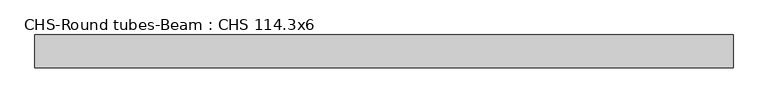
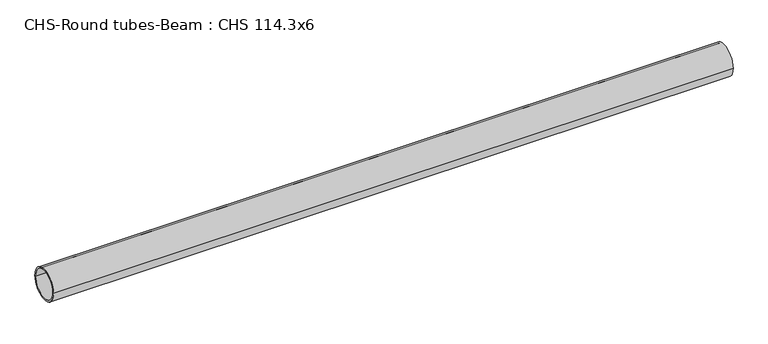
"""IFC4 building model written with IfcOpenShell, lengths in millimetres: beam geometry, CHS-Round tubes-Beam : CHS 114.3x6."""

import ifcopenshell
import ifcopenshell.guid

model = None  # the IFC model being written
_history = None  # IfcOwnerHistory: only IFC2X3 demands one
_inside = {}  # id of a spatial element -> (the spatial element, [elements in it])
_under = {}  # id of a project, library or spatial element -> (it, [spatial elements below it])
_declared = {}  # id of a project -> (the project, [libraries it declares])
_typed = {}  # id of a type object -> (the type object, [elements of that type])
_made_of = {}  # id of a material, layer set ... -> (it, [elements and type objects made of it])


def new_model(schema):
    """Start an empty IFC model of exactly this schema.

    Asked for "IFC4X3", IfcOpenShell would pick the latest addendum, in which some entities
    have other attributes; the version numbers below select the first issue.
    IFC2X3 requires an IfcOwnerHistory on every rooted entity: one is made here for all.
    """
    global model, _history
    if schema == "IFC4X3":
        model = ifcopenshell.file(schema_version=(4, 3, 0, 0))
    else:
        model = ifcopenshell.file(schema=schema)
    _inside.clear()
    _under.clear()
    _declared.clear()
    _typed.clear()
    _made_of.clear()
    _history = None
    if model.schema == "IFC2X3":
        org = make("IfcOrganization", Name="unknown")
        user = make(
            "IfcPersonAndOrganization",
            ThePerson=make("IfcPerson", FamilyName="unknown"),
            TheOrganization=org,
        )
        app = make(
            "IfcApplication",
            ApplicationDeveloper=org,
            Version="unknown",
            ApplicationFullName="unknown",
            ApplicationIdentifier="unknown",
        )
        _history = make(
            "IfcOwnerHistory",
            OwningUser=user,
            OwningApplication=app,
            ChangeAction="ADDED",
            CreationDate=0,
        )
    return model


def make(cls, **values):
    """One entity of the class cls with the attributes given. An attribute that is None is left unset."""
    return model.create_entity(
        cls, **{name: value for name, value in values.items() if value is not None}
    )


def rooted(cls, **values):
    """An entity with a GlobalId (a new one), such as an element, a storey or a relation."""
    return make(cls, GlobalId=ifcopenshell.guid.new(), OwnerHistory=_history, **values)


def si_unit(unit_type, name, prefix=None):
    """IfcSIUnit, for example si_unit("LENGTHUNIT", "METRE", prefix="MILLI")."""
    return make("IfcSIUnit", UnitType=unit_type, Prefix=prefix, Name=name)


def assignment(units):
    """IfcUnitAssignment: the units of a project."""
    return None if units is None else make("IfcUnitAssignment", Units=units)


def point(xyz):
    """IfcCartesianPoint."""
    return None if xyz is None else make("IfcCartesianPoint", Coordinates=xyz)


def direction(xyz):
    """IfcDirection."""
    return None if xyz is None else make("IfcDirection", DirectionRatios=xyz)


def frame(location, z_axis=None, x_axis=None):
    """IfcAxis2Placement3D, a coordinate frame: its origin and axes. An axis left out is left unset."""
    return make(
        "IfcAxis2Placement3D",
        Location=point(location),
        Axis=direction(z_axis),
        RefDirection=direction(x_axis),
    )


def frame_2d(location, x_axis=None):
    """IfcAxis2Placement2D, a coordinate frame in the plane: its origin and x axis."""
    return make(
        "IfcAxis2Placement2D", Location=point(location), RefDirection=direction(x_axis)
    )


def origin():
    """The frame at (0, 0, 0) with its axes left unset."""
    return frame((0.0, 0.0, 0.0))


def origin_2d():
    """The frame at (0, 0) in the plane with its x axis left unset."""
    return frame_2d((0.0, 0.0))


def place(relative_to, where):
    """IfcLocalPlacement: puts the frame where relative to a parent placement (None: the world)."""
    return make(
        "IfcLocalPlacement", PlacementRelTo=relative_to, RelativePlacement=where
    )


def context(
    kind, dimensions, precision=None, world=None, true_north=None, identifier=None
):
    """IfcGeometricRepresentationContext, for example the 3D "Model" context."""
    return make(
        "IfcGeometricRepresentationContext",
        ContextIdentifier=identifier,
        ContextType=kind,
        CoordinateSpaceDimension=dimensions,
        Precision=precision,
        WorldCoordinateSystem=world,
        TrueNorth=true_north,
    )


def project(units=None, contexts=None):
    """IfcProject with its units and contexts."""
    return rooted(
        "IfcProject",
        Name="project",
        RepresentationContexts=contexts,
        UnitsInContext=assignment(units),
    )


def spatial(cls, under=None, at=None, **own):
    """A site, building, storey or space (cls), placed at a placement, below another one or the project."""
    s = rooted(cls, ObjectPlacement=at, **own)
    if under is not None:
        _under.setdefault(under.id(), (under, []))[1].append(s)
    return s


def circle_curve(where, radius):
    """IfcCircle in the frame where."""
    return make("IfcCircle", Position=where, Radius=radius)


def trimmed(basis, trim1, trim2, sense, master):
    """IfcTrimmedCurve: the piece of a basis curve between two trims."""
    return make(
        "IfcTrimmedCurve",
        BasisCurve=basis,
        Trim1=trim1,
        Trim2=trim2,
        SenseAgreement=sense,
        MasterRepresentation=master,
    )


def segment(curve, same_sense, transition):
    """IfcCompositeCurveSegment."""
    return make(
        "IfcCompositeCurveSegment",
        Transition=transition,
        SameSense=same_sense,
        ParentCurve=curve,
    )


def composite_curve(segments, self_intersect=None):
    """IfcCompositeCurve: segments joined end to end."""
    return make("IfcCompositeCurve", Segments=segments, SelfIntersect=self_intersect)


def outline(outer, holes=None, kind="AREA"):
    """IfcArbitraryClosedProfileDef: a profile drawn as a closed curve; with holes, ...WithVoids."""
    if holes is None:
        return make("IfcArbitraryClosedProfileDef", ProfileType=kind, OuterCurve=outer)
    return make(
        "IfcArbitraryProfileDefWithVoids",
        ProfileType=kind,
        OuterCurve=outer,
        InnerCurves=holes,
    )


def extrude(swept, where, along, depth):
    """IfcExtrudedAreaSolid: the profile swept, set in the frame where, extruded along a direction by depth."""
    return make(
        "IfcExtrudedAreaSolid",
        SweptArea=swept,
        Position=where,
        ExtrudedDirection=direction(along),
        Depth=depth,
    )


def shape(context_of_items, identifier, shape_type, items):
    """IfcShapeRepresentation: the items that make up one representation, for example the "Body"."""
    return make(
        "IfcShapeRepresentation",
        ContextOfItems=context_of_items,
        RepresentationIdentifier=identifier,
        RepresentationType=shape_type,
        Items=items,
    )


def source(mapping_origin, context_of_items, identifier, shape_type, items):
    """IfcRepresentationMap: a shape defined once, which mapped items show again and again."""
    return make(
        "IfcRepresentationMap",
        MappingOrigin=mapping_origin,
        MappedRepresentation=shape(context_of_items, identifier, shape_type, items),
    )


def transform(
    local_origin,
    x_axis=None,
    y_axis=None,
    z_axis=None,
    scale=None,
    scale2=None,
    scale3=None,
    uniform=True,
):
    """IfcCartesianTransformationOperator3D, or its non-uniform kind. x_axis, y_axis, z_axis: its Axis1, 2, 3."""
    if uniform:
        return make(
            "IfcCartesianTransformationOperator3D",
            Axis1=direction(x_axis),
            Axis2=direction(y_axis),
            LocalOrigin=point(local_origin),
            Scale=scale,
            Axis3=direction(z_axis),
        )
    return make(
        "IfcCartesianTransformationOperator3DnonUniform",
        Axis1=direction(x_axis),
        Axis2=direction(y_axis),
        LocalOrigin=point(local_origin),
        Scale=scale,
        Axis3=direction(z_axis),
        Scale2=scale2,
        Scale3=scale3,
    )


def mapped(mapping_source, mapping_target):
    """IfcMappedItem: shows the shape of a source again, moved by a transform."""
    return make(
        "IfcMappedItem", MappingSource=mapping_source, MappingTarget=mapping_target
    )


def made_of(thing, what):
    """Note that an element or type object is made of a material, layer set ...; save() writes the relation."""
    if what is not None:
        _made_of.setdefault(what.id(), (what, []))[1].append(thing)
    return thing


def element(
    cls,
    number,
    at=None,
    inside=None,
    cuts=None,
    type_object=None,
    material=None,
    context=None,
    identifier="Body",
    shape_type=None,
    held_by="IfcProductDefinitionShape",
    body=None,
    shapes=None,
    **own,
):
    """One element of the class cls, such as IfcWall. Its Tag is "e" and its number.

    at: its placement. inside: the storey or other place that contains it. cuts: it is an
    opening in that element (IfcRelVoidsElement). A single representation is given by context,
    identifier, shape_type and body (its items); several are given by shapes. held_by: the class
    of the entity that holds the representations. save() writes the other relations.
    """
    e = rooted(cls, Tag="e%d" % number, ObjectPlacement=at, **own)
    if body is not None:
        shapes = [shape(context, identifier, shape_type, body)]
    if shapes is not None:
        e.Representation = make(held_by, Representations=shapes)
    if inside is not None:
        _inside.setdefault(inside.id(), (inside, []))[1].append(e)
    if cuts is not None:
        rooted(
            "IfcRelVoidsElement", RelatingBuildingElement=cuts, RelatedOpeningElement=e
        )
    if type_object is not None:
        _typed.setdefault(type_object.id(), (type_object, []))[1].append(e)
    return made_of(e, material)


def aggregate(whole, parts):
    """IfcRelAggregates: a whole, such as a stair, and the parts it consists of."""
    return rooted("IfcRelAggregates", RelatingObject=whole, RelatedObjects=parts)


def save(model, path):
    """Write the relations noted so far, then the file.

    IfcRelAggregates (storeys below a building ...), IfcRelContainedInSpatialStructure (elements
    in a storey), IfcRelDefinesByType, IfcRelAssociatesMaterial and IfcRelDeclares: one each for
    every whole, place, type object, material and project.
    """
    for whole, parts in _under.values():
        aggregate(whole, parts)
    for where, things in _inside.values():
        rooted(
            "IfcRelContainedInSpatialStructure",
            RelatedElements=things,
            RelatingStructure=where,
        )
    for kind, things in _typed.values():
        rooted("IfcRelDefinesByType", RelatedObjects=things, RelatingType=kind)
    for what, things in _made_of.values():
        rooted("IfcRelAssociatesMaterial", RelatedObjects=things, RelatingMaterial=what)
    for by, libraries in _declared.values():
        rooted("IfcRelDeclares", RelatingContext=by, RelatedDefinitions=libraries)
    model.write(path)


def chs_round_tubes_beam_chs_114_3x6_e1ecdc3e(model_context):
    return source(origin(), model_context, "Body", "SweptSolid", [
        extrude(outline(composite_curve([segment(trimmed(circle_curve(origin_2d(), 57.15), [point((57.15, 0.0))], [point((-57.15, 0.0))], False, "CARTESIAN"), True, "CONTINUOUS"), segment(trimmed(circle_curve(origin_2d(), 57.15), [point((-57.15, 0.0))], [point((57.15, 0.0))], False, "CARTESIAN"), True, "CONTINUOUS")], self_intersect=False), holes=[composite_curve([segment(trimmed(circle_curve(origin_2d(), 51.15), [point((51.15, 0.0))], [point((-51.15, 0.0))], True, "CARTESIAN"), True, "CONTINUOUS"), segment(trimmed(circle_curve(origin_2d(), 51.15), [point((-51.15, 0.0))], [point((51.15, 0.0))], True, "CARTESIAN"), True, "CONTINUOUS")], self_intersect=False)]), frame((-1203.1960349, 0.0, 0.0), z_axis=(1.0, 0.0, 0.0), x_axis=(0.0, 1.0, 0.0)), (0.0, 0.0, 1.0), 2426.8624669),
    ])


if __name__ == "__main__":
    model = new_model("IFC4")
    model_context = context("Model", 3, world=origin())
    ifc_project = project(units=[si_unit("LENGTHUNIT", "METRE", prefix="MILLI")], contexts=[model_context])
    site = spatial("IfcSite", under=ifc_project)
    building = spatial("IfcBuilding", under=site)
    placement = place(None, origin())
    chs_round_tubes_beam_chs_114_3x6_shape = chs_round_tubes_beam_chs_114_3x6_e1ecdc3e(model_context)
    element("IfcBeam", 1, ObjectType="CHS-Round tubes-Beam : CHS 114.3x6", at=placement, inside=building, context=model_context, shape_type="MappedRepresentation", body=[
        mapped(chs_round_tubes_beam_chs_114_3x6_shape, transform((0.0, 0.0, 0.0), x_axis=(1.0, 0.0, 0.0), y_axis=(0.0, 1.0, 0.0), z_axis=(0.0, 0.0, 1.0))),
    ])
    save(model, "model.ifc")
